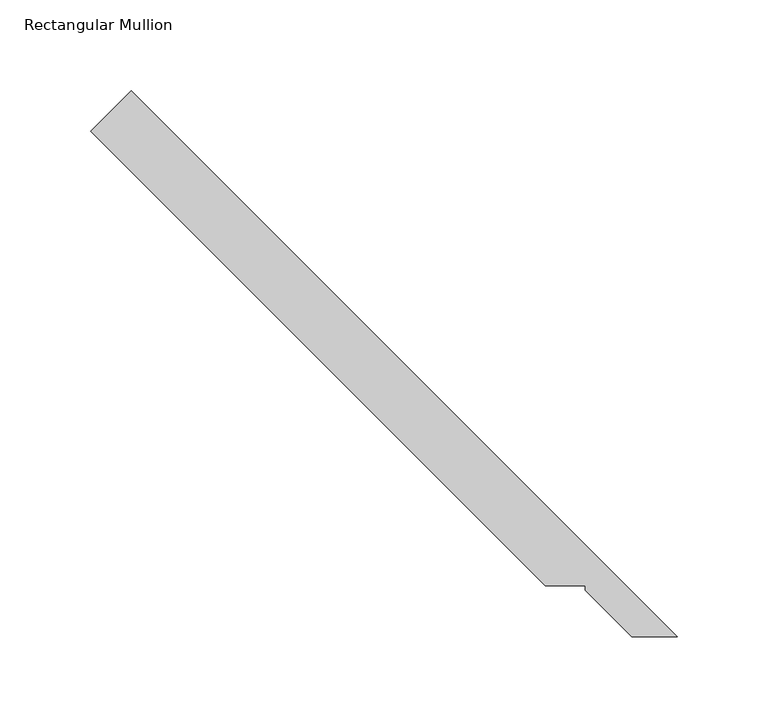
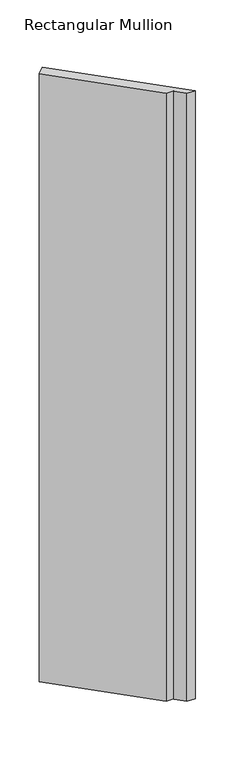
"""IFC4 building model written with IfcOpenShell, lengths in millimetres: member geometry, Rectangular Mullion."""

from ifc_helpers import new_model, si_unit, frame, origin, place, context, project, spatial, polyline, outline, extrude, source, transform, mapped, element, save


def rectangular_mullion_1dd1cf84(model_context):
    return source(origin(), model_context, "Body", "SweptSolid", [
        extrude(outline(polyline([(-341.9998648, 297.0985842), (-319.5492245, 319.5492245), (-18.8515625, 18.8515625), (-43.922662, 18.8515625), (-69.4307458, 44.4684651), (-69.4307458, 46.7544651), (-91.6557458, 46.7544651), (-341.9998648, 297.0985842)])), frame((0.0, 0.0, -1993.8999967), z_axis=(0.0, 0.0, 1.0), x_axis=(1.0, 0.0, 0.0)), (0.0, 0.0, 1.0), 1993.8999967),
    ])


if __name__ == "__main__":
    model = new_model("IFC4")
    model_context = context("Model", 3, world=origin())
    ifc_project = project(units=[si_unit("LENGTHUNIT", "METRE", prefix="MILLI")], contexts=[model_context])
    site = spatial("IfcSite", under=ifc_project)
    building = spatial("IfcBuilding", under=site)
    placement = place(None, origin())
    rectangular_mullion_shape = rectangular_mullion_1dd1cf84(model_context)
    element("IfcMember", 1, ObjectType="Rectangular Mullion", at=placement, inside=building, context=model_context, shape_type="MappedRepresentation", body=[
        mapped(rectangular_mullion_shape, transform((0.0, 0.0, 0.0), x_axis=(1.0, 0.0, 0.0), y_axis=(0.0, 1.0, 0.0), z_axis=(0.0, 0.0, 1.0))),
    ])
    save(model, "model.ifc")
